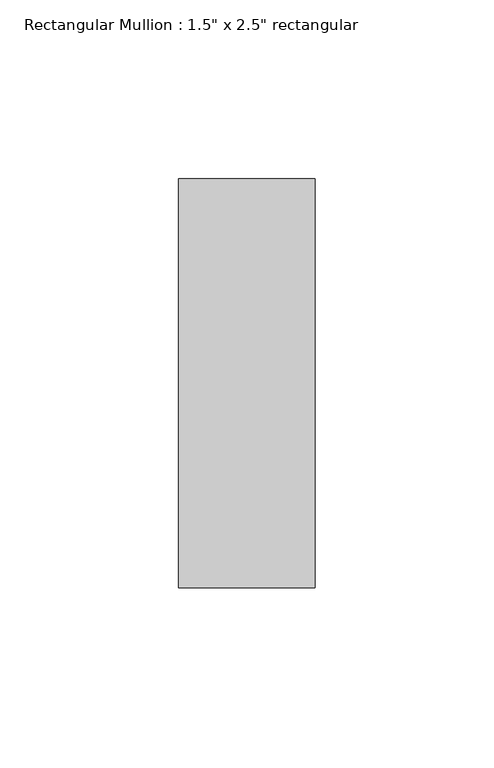
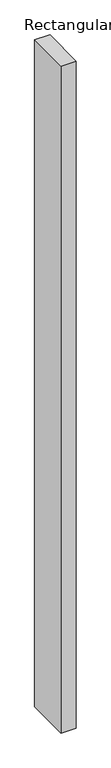
"""IFC4 building model written with IfcOpenShell, lengths in millimetres: member geometry."""

from ifc_helpers import new_model, si_unit, frame, origin, place, context, project, spatial, polyline, outline, extrude, source, transform, mapped, element, save


def member_eca8a0fb(model_context):
    return source(origin(), model_context, "Body", "SweptSolid", [
        extrude(outline(polyline([(0.0, 57.15), (0.0, -57.15), (-38.1, -57.15), (-38.1, 57.15), (0.0, 57.15)])), frame((0.0, 0.0, -1771.65), z_axis=(0.0, 0.0, 1.0), x_axis=(1.0, 0.0, 0.0)), (0.0, 0.0, 1.0), 1771.65),
    ])


if __name__ == "__main__":
    model = new_model("IFC4")
    model_context = context("Model", 3, world=origin())
    ifc_project = project(units=[si_unit("LENGTHUNIT", "METRE", prefix="MILLI")], contexts=[model_context])
    site = spatial("IfcSite", under=ifc_project)
    building = spatial("IfcBuilding", under=site)
    placement = place(None, origin())
    member_shape = member_eca8a0fb(model_context)
    element("IfcMember", 1, ObjectType="Rectangular Mullion : 1.5\" x 2.5\" rectangular", at=placement, inside=building, context=model_context, shape_type="MappedRepresentation", body=[
        mapped(member_shape, transform((0.0, 0.0, 0.0), x_axis=(1.0, 0.0, 0.0), y_axis=(0.0, 1.0, 0.0), z_axis=(0.0, 0.0, 1.0))),
    ])
    save(model, "model.ifc")
